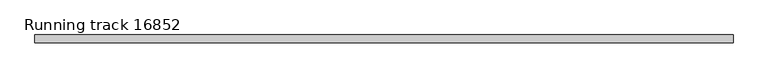
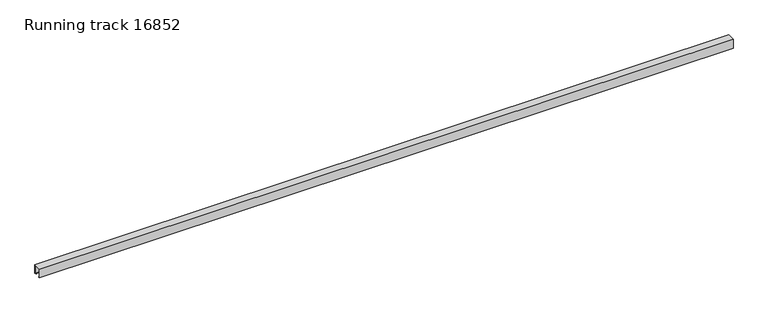
"""IFC4 building model written with IfcOpenShell, lengths in millimetres: proxy geometry, Running track 16852."""

from ifc_helpers import new_model, si_unit, frame, origin, place, context, project, spatial, polyline, outline, extrude, source, transform, mapped, element, save


def running_track_16852_f398bc68(model_context):
    return source(origin(), model_context, "Body", "SweptSolid", [
        extrude(outline(polyline([(25.0, 0.0), (17.0, 0.0), (17.0, 3.0), (21.9166556, 3.0), (21.9166556, 55.0), (-22.0, 55.0), (-22.0, 3.0), (-17.0, 3.0), (-17.0, 0.0), (-25.0, 0.0), (-25.0, 58.0), (25.0, 58.0), (25.0, 0.0)])), frame((0.0, 0.0, 0.0), z_axis=(1.0, 0.0, 0.0), x_axis=(0.0, 1.0, 0.0)), (0.0, 0.0, 1.0), 4400.0),
    ])


if __name__ == "__main__":
    model = new_model("IFC4")
    model_context = context("Model", 3, world=origin())
    ifc_project = project(units=[si_unit("LENGTHUNIT", "METRE", prefix="MILLI")], contexts=[model_context])
    site = spatial("IfcSite", under=ifc_project)
    building = spatial("IfcBuilding", under=site)
    placement = place(None, origin())
    running_track_16852_shape = running_track_16852_f398bc68(model_context)
    element("IfcBuildingElementProxy", 1, Name="Running track 16852", ObjectType="Running track 16852", at=placement, inside=building, context=model_context, shape_type="MappedRepresentation", body=[
        mapped(running_track_16852_shape, transform((0.0, 0.0, 0.0), x_axis=(1.0, 0.0, 0.0), y_axis=(0.0, 1.0, 0.0), z_axis=(0.0, 0.0, 1.0))),
    ])
    save(model, "model.ifc")
